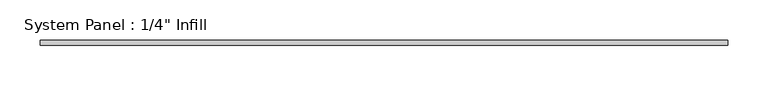
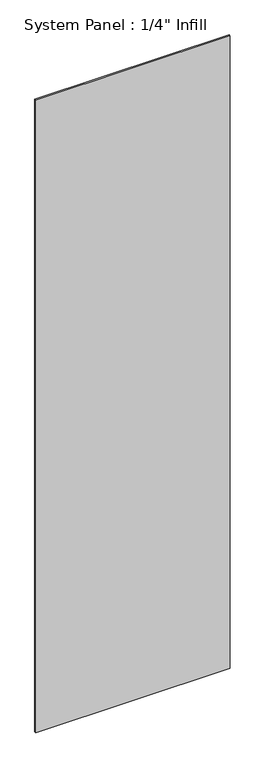
"""IFC4 building model written with IfcOpenShell, lengths in millimetres: plate geometry."""

from ifc_helpers import new_model, si_unit, origin, origin_with_axes, place, context, project, spatial, polyline, outline, extrude, source, transform, mapped, element, save


def plate_f0710b43(model_context):
    return source(origin(), model_context, "Body", "SweptSolid", [
        extrude(outline(polyline([(428.625, 25.4), (-428.625, 25.4), (-428.625, 31.75), (428.625, 31.75), (428.625, 25.4)])), origin_with_axes(), (0.0, 0.0, 1.0), 2946.4),
    ])


if __name__ == "__main__":
    model = new_model("IFC4")
    model_context = context("Model", 3, world=origin())
    ifc_project = project(units=[si_unit("LENGTHUNIT", "METRE", prefix="MILLI")], contexts=[model_context])
    site = spatial("IfcSite", under=ifc_project)
    building = spatial("IfcBuilding", under=site)
    placement = place(None, origin())
    plate_shape = plate_f0710b43(model_context)
    element("IfcPlate", 1, ObjectType="System Panel : 1/4\" Infill", at=placement, inside=building, context=model_context, shape_type="MappedRepresentation", body=[
        mapped(plate_shape, transform((0.0, 0.0, 0.0), x_axis=(1.0, 0.0, 0.0), y_axis=(0.0, 1.0, 0.0), z_axis=(0.0, 0.0, 1.0))),
    ])
    save(model, "model.ifc")
